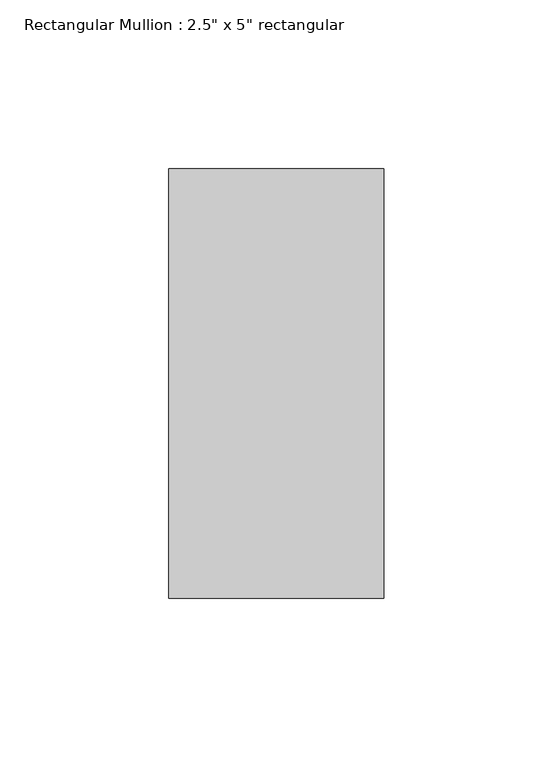
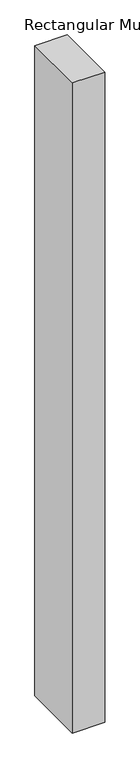
"""IFC4 building model written with IfcOpenShell, lengths in millimetres: member geometry."""

from ifc_helpers import new_model, si_unit, frame, origin, place, context, project, spatial, polyline, outline, extrude, source, transform, mapped, element, save


def member_175f2f42(model_context):
    return source(origin(), model_context, "Body", "SweptSolid", [
        extrude(outline(polyline([(0.0, 63.5), (0.0, -63.5), (-63.5, -63.5), (-63.5, 63.5), (0.0, 63.5)])), frame((0.0, 0.0, -1346.2000003), z_axis=(0.0, 0.0, 1.0), x_axis=(1.0, 0.0, 0.0)), (0.0, 0.0, 1.0), 1346.2000003),
    ])


if __name__ == "__main__":
    model = new_model("IFC4")
    model_context = context("Model", 3, world=origin())
    ifc_project = project(units=[si_unit("LENGTHUNIT", "METRE", prefix="MILLI")], contexts=[model_context])
    site = spatial("IfcSite", under=ifc_project)
    building = spatial("IfcBuilding", under=site)
    placement = place(None, origin())
    member_shape = member_175f2f42(model_context)
    element("IfcMember", 1, ObjectType="Rectangular Mullion : 2.5\" x 5\" rectangular", at=placement, inside=building, context=model_context, shape_type="MappedRepresentation", body=[
        mapped(member_shape, transform((0.0, 0.0, 0.0), x_axis=(1.0, 0.0, 0.0), y_axis=(0.0, 1.0, 0.0), z_axis=(0.0, 0.0, 1.0))),
    ])
    save(model, "model.ifc")
